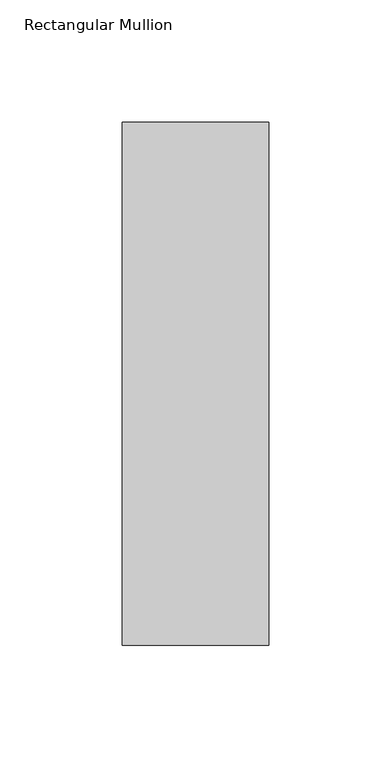
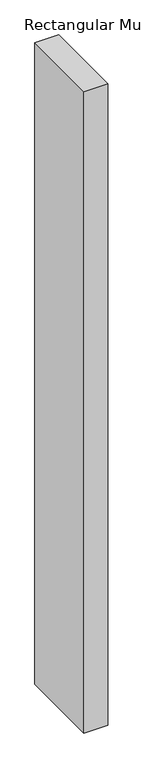
"""IFC4 building model written with IfcOpenShell, lengths in millimetres: member geometry, Rectangular Mullion."""

from ifc_helpers import new_model, si_unit, frame, origin, place, context, project, spatial, polyline, outline, extrude, source, transform, mapped, element, save


def rectangular_mullion_11c7e2d1(model_context):
    return source(origin(), model_context, "Body", "SweptSolid", [
        extrude(outline(polyline([(30.0, 162.60625), (30.0, -51.60625), (-30.0, -51.60625), (-30.0, 162.60625), (30.0, 162.60625)])), frame((0.0, 0.0, -1708.8912252), z_axis=(0.0, 0.0, 1.0), x_axis=(1.0, 0.0, 0.0)), (0.0, 0.0, 1.0), 1708.8912252),
    ])


if __name__ == "__main__":
    model = new_model("IFC4")
    model_context = context("Model", 3, world=origin())
    ifc_project = project(units=[si_unit("LENGTHUNIT", "METRE", prefix="MILLI")], contexts=[model_context])
    site = spatial("IfcSite", under=ifc_project)
    building = spatial("IfcBuilding", under=site)
    placement = place(None, origin())
    rectangular_mullion_shape = rectangular_mullion_11c7e2d1(model_context)
    element("IfcMember", 1, ObjectType="Rectangular Mullion", at=placement, inside=building, context=model_context, shape_type="MappedRepresentation", body=[
        mapped(rectangular_mullion_shape, transform((0.0, 0.0, 0.0), x_axis=(1.0, 0.0, 0.0), y_axis=(0.0, 1.0, 0.0), z_axis=(0.0, 0.0, 1.0))),
    ])
    save(model, "model.ifc")
